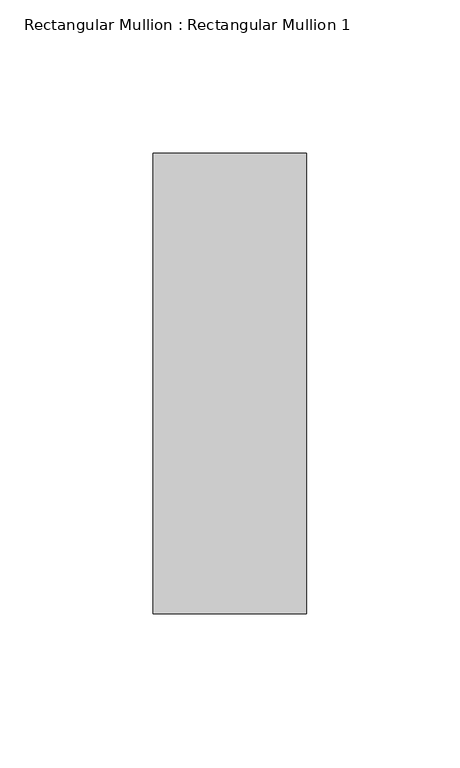
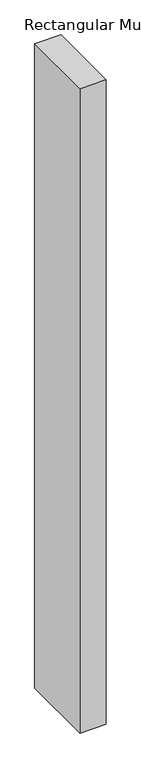
"""IFC4 building model written with IfcOpenShell, lengths in millimetres: member geometry, Rectangular Mullion : Rectangular Mullion 1."""

from ifc_helpers import new_model, si_unit, frame, origin, place, context, project, spatial, polyline, outline, extrude, source, transform, mapped, element, save


def rectangular_mullion_rectangular_mullion_1_d0db7fae(model_context):
    return source(origin(), model_context, "Body", "SweptSolid", [
        extrude(outline(polyline([(25.0, 75.0), (25.0, -75.0), (-25.0, -75.0), (-25.0, 75.0), (25.0, 75.0)])), frame((0.0, 0.0, -1300.0), z_axis=(0.0, 0.0, 1.0), x_axis=(1.0, 0.0, 0.0)), (0.0, 0.0, 1.0), 1300.0),
    ])


if __name__ == "__main__":
    model = new_model("IFC4")
    model_context = context("Model", 3, world=origin())
    ifc_project = project(units=[si_unit("LENGTHUNIT", "METRE", prefix="MILLI")], contexts=[model_context])
    site = spatial("IfcSite", under=ifc_project)
    building = spatial("IfcBuilding", under=site)
    placement = place(None, origin())
    rectangular_mullion_rectangular_mullion_1_shape = rectangular_mullion_rectangular_mullion_1_d0db7fae(model_context)
    element("IfcMember", 1, ObjectType="Rectangular Mullion : Rectangular Mullion 1", at=placement, inside=building, context=model_context, shape_type="MappedRepresentation", body=[
        mapped(rectangular_mullion_rectangular_mullion_1_shape, transform((0.0, 0.0, 0.0), x_axis=(1.0, 0.0, 0.0), y_axis=(0.0, 1.0, 0.0), z_axis=(0.0, 0.0, 1.0))),
    ])
    save(model, "model.ifc")
